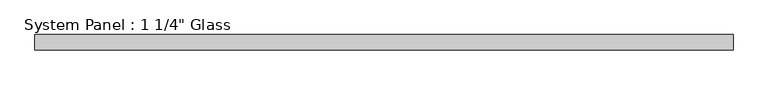
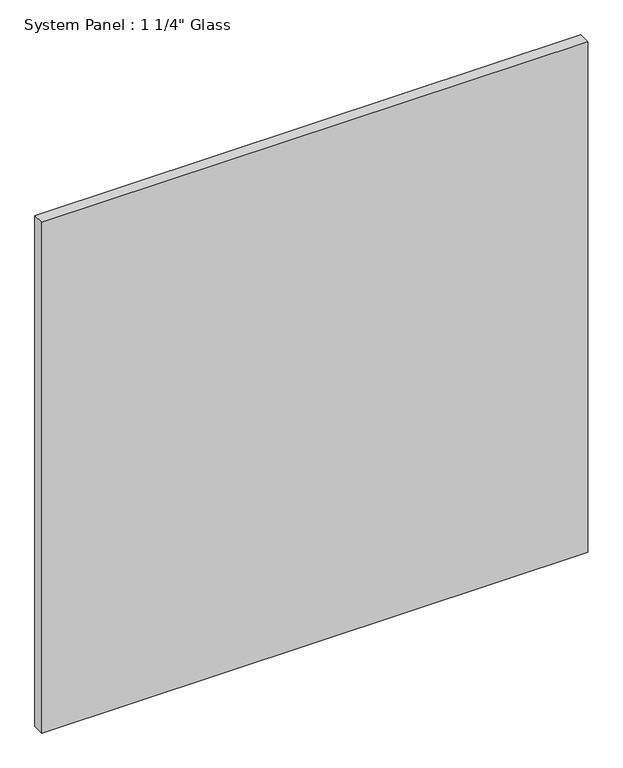
"""IFC4 building model written with IfcOpenShell, lengths in millimetres: plate geometry."""

from ifc_helpers import new_model, si_unit, origin, origin_with_axes, place, context, project, spatial, polyline, outline, extrude, source, transform, mapped, element, save


def plate_a8e4c330(model_context):
    return source(origin(), model_context, "Body", "SweptSolid", [
        extrude(outline(polyline([(732.357059, -40.48125), (-732.357059, -40.48125), (-732.357059, -8.73125), (732.357059, -8.73125), (732.357059, -40.48125)])), origin_with_axes(), (0.0, 0.0, 1.0), 1448.2280973),
    ])


if __name__ == "__main__":
    model = new_model("IFC4")
    model_context = context("Model", 3, world=origin())
    ifc_project = project(units=[si_unit("LENGTHUNIT", "METRE", prefix="MILLI")], contexts=[model_context])
    site = spatial("IfcSite", under=ifc_project)
    building = spatial("IfcBuilding", under=site)
    placement = place(None, origin())
    plate_shape = plate_a8e4c330(model_context)
    element("IfcPlate", 1, ObjectType="System Panel : 1 1/4\" Glass", at=placement, inside=building, context=model_context, shape_type="MappedRepresentation", body=[
        mapped(plate_shape, transform((0.0, 0.0, 0.0), x_axis=(1.0, 0.0, 0.0), y_axis=(0.0, 1.0, 0.0), z_axis=(0.0, 0.0, 1.0))),
    ])
    save(model, "model.ifc")
